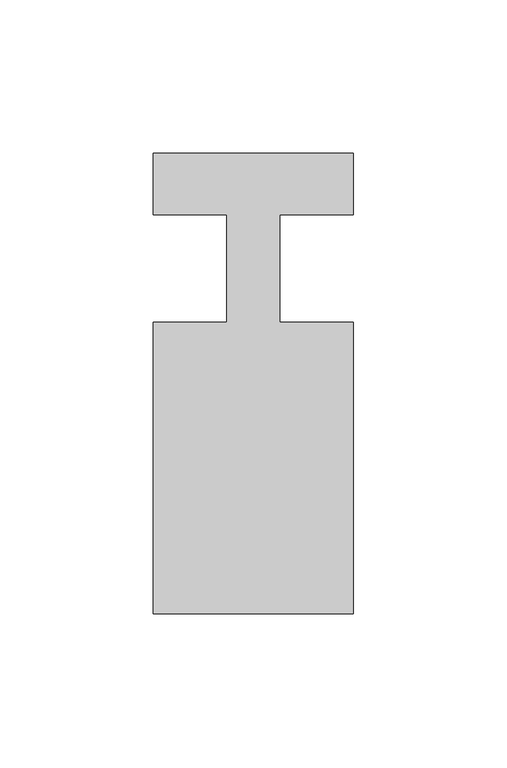
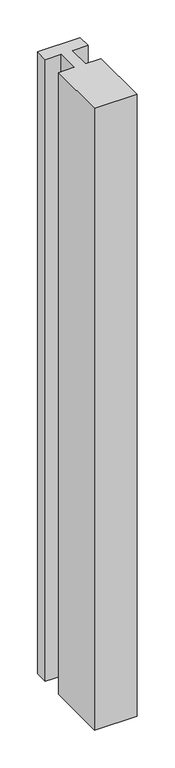
"""IFC4 building model written with IfcOpenShell, lengths in millimetres: member geometry."""

from ifc_helpers import new_model, si_unit, frame, origin, place, context, project, spatial, polyline, outline, extrude, source, transform, mapped, element, save


def member_f010abee(model_context):
    return source(origin(), model_context, "Body", "SweptSolid", [
        extrude(outline(polyline([(-65.0, 37.0), (0.0, 37.0), (0.0, 17.0), (-23.8125, 17.0), (-23.8125, -18.0), (0.0, -18.0), (0.0, -113.0), (-65.0, -113.0), (-65.0, -18.0), (-41.1875, -18.0), (-41.1875, 17.0), (-65.0, 17.0), (-65.0, 37.0)])), frame((0.0, 0.0, -1002.3125), z_axis=(0.0, 0.0, 1.0), x_axis=(1.0, 0.0, 0.0)), (0.0, 0.0, 1.0), 1002.3125),
    ])


if __name__ == "__main__":
    model = new_model("IFC4")
    model_context = context("Model", 3, world=origin())
    ifc_project = project(units=[si_unit("LENGTHUNIT", "METRE", prefix="MILLI")], contexts=[model_context])
    site = spatial("IfcSite", under=ifc_project)
    building = spatial("IfcBuilding", under=site)
    placement = place(None, origin())
    member_shape = member_f010abee(model_context)
    element("IfcMember", 1, at=placement, inside=building, context=model_context, shape_type="MappedRepresentation", body=[
        mapped(member_shape, transform((0.0, 0.0, 0.0), x_axis=(1.0, 0.0, 0.0), y_axis=(0.0, 1.0, 0.0), z_axis=(0.0, 0.0, 1.0))),
    ])
    save(model, "model.ifc")
